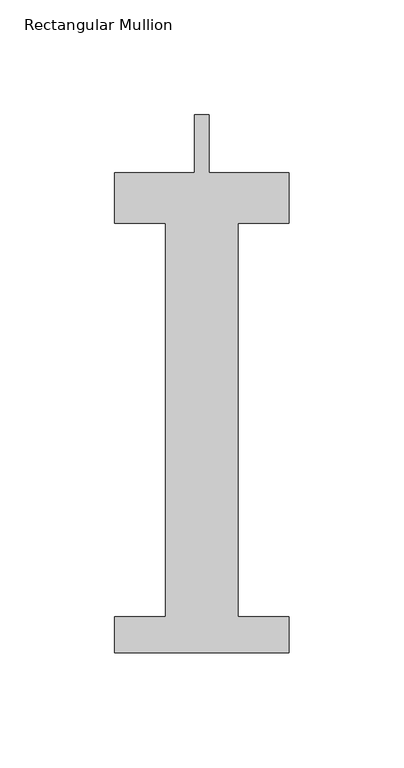
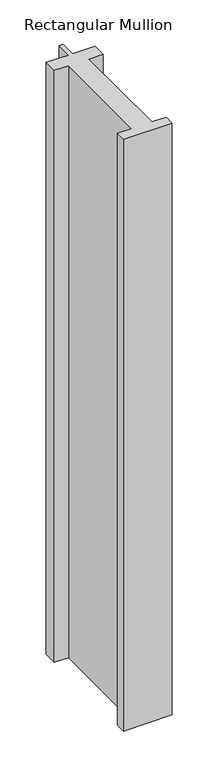
"""IFC4 building model written with IfcOpenShell, lengths in millimetres: member geometry, Rectangular Mullion."""

from ifc_helpers import new_model, si_unit, frame, origin, place, context, project, spatial, polyline, outline, extrude, source, transform, mapped, element, save


def rectangular_mullion_f7983ec4(model_context):
    return source(origin(), model_context, "Body", "SweptSolid", [
        extrude(outline(polyline([(38.1, -221.996), (-38.1, -221.996), (-38.1, -206.121), (-15.875, -206.121), (-15.875, -34.671), (-38.1, -34.671), (-38.1, -12.7), (-3.175, -12.7), (-3.175, 12.7), (3.175, 12.7), (3.175, -12.7), (38.1, -12.7), (38.1, -34.671), (15.875, -34.671), (15.875, -206.121), (38.1, -206.121), (38.1, -221.996)])), frame((0.0, 0.0, -977.9), z_axis=(0.0, 0.0, 1.0), x_axis=(1.0, 0.0, 0.0)), (0.0, 0.0, 1.0), 977.9),
    ])


if __name__ == "__main__":
    model = new_model("IFC4")
    model_context = context("Model", 3, world=origin())
    ifc_project = project(units=[si_unit("LENGTHUNIT", "METRE", prefix="MILLI")], contexts=[model_context])
    site = spatial("IfcSite", under=ifc_project)
    building = spatial("IfcBuilding", under=site)
    placement = place(None, origin())
    rectangular_mullion_shape = rectangular_mullion_f7983ec4(model_context)
    element("IfcMember", 1, ObjectType="Rectangular Mullion", at=placement, inside=building, context=model_context, shape_type="MappedRepresentation", body=[
        mapped(rectangular_mullion_shape, transform((0.0, 0.0, 0.0), x_axis=(1.0, 0.0, 0.0), y_axis=(0.0, 1.0, 0.0), z_axis=(0.0, 0.0, 1.0))),
    ])
    save(model, "model.ifc")
